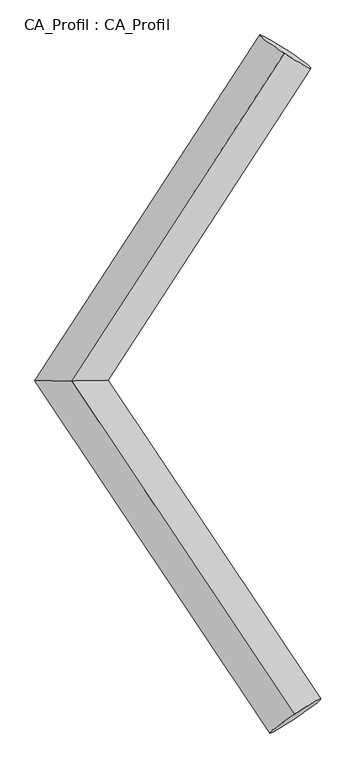
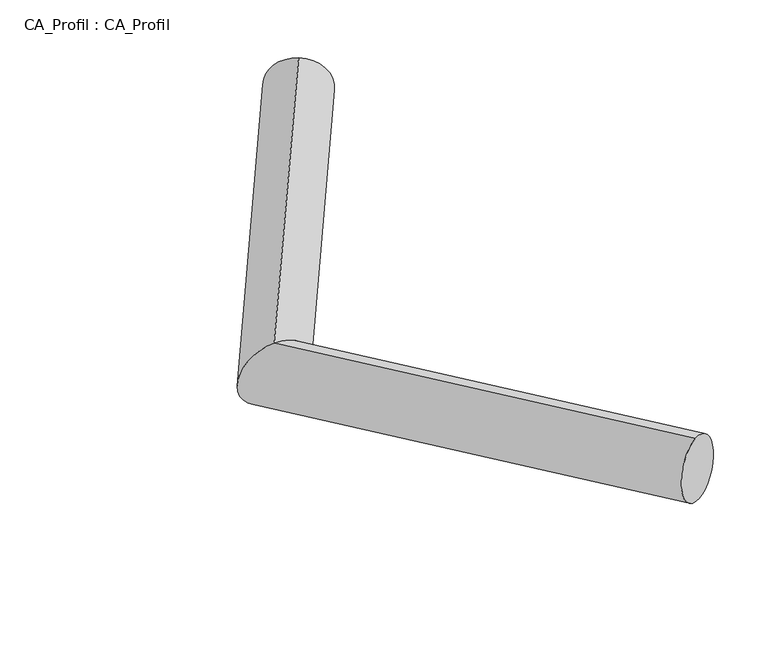
"""IFC4 building model written with IfcOpenShell, lengths in millimetres: plate geometry, CA_Profil : CA_Profil."""

from ifc_helpers import new_model, si_unit, frame, origin, place, context, project, spatial, circle_curve, ellipse_curve, source, transform, mapped, element, save
from ifc_brep_helpers import plane_surface, cylinder_surface, advanced_brep


def ca_profil_ca_profil_01143e68(model_context):
    return source(origin(), model_context, "Body", "AdvancedBrep", [
        advanced_brep(
        [(6063.140483, 8789.8742472, -146.1675379), (6048.2575459, 8761.4620215, 352.8026452), (4309.4354688, 6096.4344506, -351.8449597), (4312.4860554, 6095.5655494, 149.2284967), (6144.7139437, 3349.4190845, -150.2347626), (6129.5026791, 3375.8842292, 348.8325811)],
        [
            (0, 1, circle_curve(frame((6055.6990144, 8775.6681343, 103.3175537), z_axis=(0.5445237978142694, 0.8363105855206383, 0.06386265074401463), x_axis=(-0.029765874212186044, -0.0568244513706303, 0.997940366183677)), 250.0)),
            (1, 0, circle_curve(frame((6055.6990144, 8775.6681343, 103.3175537), z_axis=(0.5445237978142694, 0.8363105855206383, 0.06386265074401463), x_axis=(-0.029765874212186044, -0.0568244513706303, 0.997940366183677)), 250.0)),
            (0, 2),
            (2, 3, ellipse_curve(frame((4310.9607621, 6096.0, -101.3082315), z_axis=(-0.005982814724432229, 0.9999805354932191, 0.0017704696178961372), x_axis=(0.9936003241959819, 0.005744917321919627, 0.11280687781604601)), 300.0661625, 250.0)),
            (3, 1),
            (3, 2, ellipse_curve(frame((4310.9607621, 6096.0, -101.3082315), z_axis=(-0.005982814724432229, 0.9999805354932191, 0.0017704696178961372), x_axis=(0.9936003241959819, 0.005744917321919627, 0.11280687781604601)), 300.0661625, 250.0)),
            (4, 5, circle_curve(frame((6137.1083114, 3362.6516569, 99.2989093), z_axis=(0.5544929570721367, -0.8299561588578491, 0.06091251867491615), x_axis=(-0.030422529272025996, 0.052930289268670355, 0.9981346873997656)), 250.0)),
            (5, 4, circle_curve(frame((6137.1083114, 3362.6516569, 99.2989093), z_axis=(0.5544929570721367, -0.8299561588578491, 0.06091251867491615), x_axis=(-0.030422529272025996, 0.052930289268670355, 0.9981346873997656)), 250.0)),
            (2, 4),
            (5, 3),
        ],
        [
            plane_surface(frame((6055.6990144, 8794.7033062, -145.9567174), z_axis=(0.5445237978142684, 0.836310585520639, 0.06386265074401533), x_axis=(0.8387453926036947, -0.542943091188036, -0.041460416269670175))),
            cylinder_surface(frame((6055.6990144, 8775.6681343, 103.3175537), z_axis=(0.5445237978142694, 0.8363105855206383, 0.06386265074401463), x_axis=(-0.029765874212186044, -0.0568244513706303, 0.997940366183677)), 250.0),
            plane_surface(frame((6137.1083114, 3344.3527604, -150.0304921), z_axis=(0.5544929570721376, -0.8299561588578489, 0.06091251867491571), x_axis=(0.8321884165003721, 0.5530055882063766, -0.0405864368369887))),
            cylinder_surface(frame((4310.9607621, 6096.0, -101.3082315), z_axis=(-0.5544929570721369, 0.8299561588578493, -0.06091251867491616), x_axis=(-0.030422529272025996, 0.052930289268670355, 0.9981346873997656)), 250.0),
        ],
        [
            (0, [[1, 2]]),
            (1, [[-1, 3, 4, 5]]),
            (1, [[-2, -5, 6, -3]]),
            (2, [[7, 8]]),
            (3, [[-4, 9, -8, 10]]),
            (3, [[-6, -10, -7, -9]]),
        ],
    ),
    ])


if __name__ == "__main__":
    model = new_model("IFC4")
    model_context = context("Model", 3, world=origin())
    ifc_project = project(units=[si_unit("LENGTHUNIT", "METRE", prefix="MILLI")], contexts=[model_context])
    site = spatial("IfcSite", under=ifc_project)
    building = spatial("IfcBuilding", under=site)
    placement = place(None, origin())
    ca_profil_ca_profil_shape = ca_profil_ca_profil_01143e68(model_context)
    element("IfcPlate", 1, ObjectType="CA_Profil : CA_Profil", at=placement, inside=building, context=model_context, shape_type="MappedRepresentation", body=[
        mapped(ca_profil_ca_profil_shape, transform((0.0, 0.0, 0.0), x_axis=(1.0, 0.0, 0.0), y_axis=(0.0, 1.0, 0.0), z_axis=(0.0, 0.0, 1.0))),
    ])
    save(model, "model.ifc")
